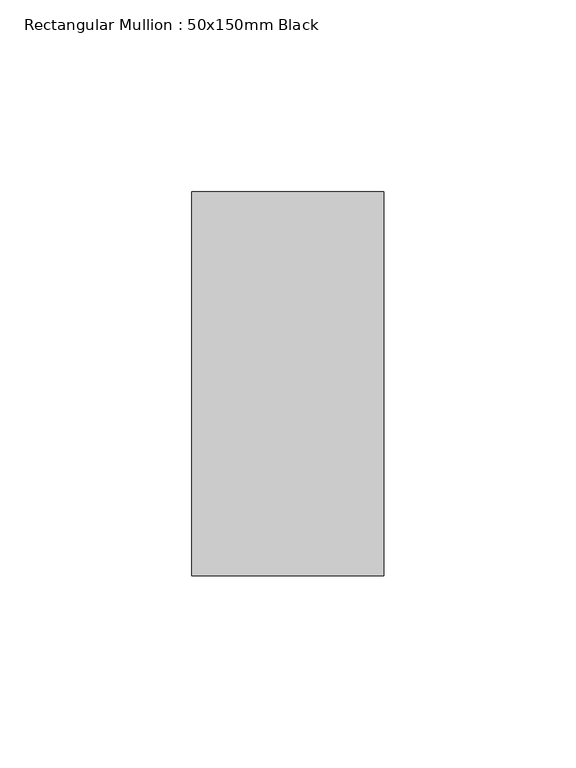
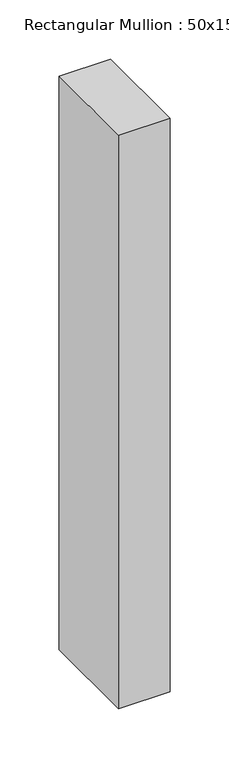
"""IFC4 building model written with IfcOpenShell, lengths in millimetres: member geometry, Rectangular Mullion : 50x150mm Black."""

import ifcopenshell
import ifcopenshell.guid

model = None  # the IFC model being written
_history = None  # IfcOwnerHistory: only IFC2X3 demands one
_inside = {}  # id of a spatial element -> (the spatial element, [elements in it])
_under = {}  # id of a project, library or spatial element -> (it, [spatial elements below it])
_declared = {}  # id of a project -> (the project, [libraries it declares])
_typed = {}  # id of a type object -> (the type object, [elements of that type])
_made_of = {}  # id of a material, layer set ... -> (it, [elements and type objects made of it])


def new_model(schema):
    """Start an empty IFC model of exactly this schema.

    Asked for "IFC4X3", IfcOpenShell would pick the latest addendum, in which some entities
    have other attributes; the version numbers below select the first issue.
    IFC2X3 requires an IfcOwnerHistory on every rooted entity: one is made here for all.
    """
    global model, _history
    if schema == "IFC4X3":
        model = ifcopenshell.file(schema_version=(4, 3, 0, 0))
    else:
        model = ifcopenshell.file(schema=schema)
    _inside.clear()
    _under.clear()
    _declared.clear()
    _typed.clear()
    _made_of.clear()
    _history = None
    if model.schema == "IFC2X3":
        org = make("IfcOrganization", Name="unknown")
        user = make(
            "IfcPersonAndOrganization",
            ThePerson=make("IfcPerson", FamilyName="unknown"),
            TheOrganization=org,
        )
        app = make(
            "IfcApplication",
            ApplicationDeveloper=org,
            Version="unknown",
            ApplicationFullName="unknown",
            ApplicationIdentifier="unknown",
        )
        _history = make(
            "IfcOwnerHistory",
            OwningUser=user,
            OwningApplication=app,
            ChangeAction="ADDED",
            CreationDate=0,
        )
    return model


def make(cls, **values):
    """One entity of the class cls with the attributes given. An attribute that is None is left unset."""
    return model.create_entity(
        cls, **{name: value for name, value in values.items() if value is not None}
    )


def rooted(cls, **values):
    """An entity with a GlobalId (a new one), such as an element, a storey or a relation."""
    return make(cls, GlobalId=ifcopenshell.guid.new(), OwnerHistory=_history, **values)


def si_unit(unit_type, name, prefix=None):
    """IfcSIUnit, for example si_unit("LENGTHUNIT", "METRE", prefix="MILLI")."""
    return make("IfcSIUnit", UnitType=unit_type, Prefix=prefix, Name=name)


def assignment(units):
    """IfcUnitAssignment: the units of a project."""
    return None if units is None else make("IfcUnitAssignment", Units=units)


def point(xyz):
    """IfcCartesianPoint."""
    return None if xyz is None else make("IfcCartesianPoint", Coordinates=xyz)


def direction(xyz):
    """IfcDirection."""
    return None if xyz is None else make("IfcDirection", DirectionRatios=xyz)


def frame(location, z_axis=None, x_axis=None):
    """IfcAxis2Placement3D, a coordinate frame: its origin and axes. An axis left out is left unset."""
    return make(
        "IfcAxis2Placement3D",
        Location=point(location),
        Axis=direction(z_axis),
        RefDirection=direction(x_axis),
    )


def origin():
    """The frame at (0, 0, 0) with its axes left unset."""
    return frame((0.0, 0.0, 0.0))


def place(relative_to, where):
    """IfcLocalPlacement: puts the frame where relative to a parent placement (None: the world)."""
    return make(
        "IfcLocalPlacement", PlacementRelTo=relative_to, RelativePlacement=where
    )


def context(
    kind, dimensions, precision=None, world=None, true_north=None, identifier=None
):
    """IfcGeometricRepresentationContext, for example the 3D "Model" context."""
    return make(
        "IfcGeometricRepresentationContext",
        ContextIdentifier=identifier,
        ContextType=kind,
        CoordinateSpaceDimension=dimensions,
        Precision=precision,
        WorldCoordinateSystem=world,
        TrueNorth=true_north,
    )


def project(units=None, contexts=None):
    """IfcProject with its units and contexts."""
    return rooted(
        "IfcProject",
        Name="project",
        RepresentationContexts=contexts,
        UnitsInContext=assignment(units),
    )


def spatial(cls, under=None, at=None, **own):
    """A site, building, storey or space (cls), placed at a placement, below another one or the project."""
    s = rooted(cls, ObjectPlacement=at, **own)
    if under is not None:
        _under.setdefault(under.id(), (under, []))[1].append(s)
    return s


def polyline(points):
    """IfcPolyline through the points."""
    return make("IfcPolyline", Points=[point(p) for p in points])


def outline(outer, holes=None, kind="AREA"):
    """IfcArbitraryClosedProfileDef: a profile drawn as a closed curve; with holes, ...WithVoids."""
    if holes is None:
        return make("IfcArbitraryClosedProfileDef", ProfileType=kind, OuterCurve=outer)
    return make(
        "IfcArbitraryProfileDefWithVoids",
        ProfileType=kind,
        OuterCurve=outer,
        InnerCurves=holes,
    )


def extrude(swept, where, along, depth):
    """IfcExtrudedAreaSolid: the profile swept, set in the frame where, extruded along a direction by depth."""
    return make(
        "IfcExtrudedAreaSolid",
        SweptArea=swept,
        Position=where,
        ExtrudedDirection=direction(along),
        Depth=depth,
    )


def shape(context_of_items, identifier, shape_type, items):
    """IfcShapeRepresentation: the items that make up one representation, for example the "Body"."""
    return make(
        "IfcShapeRepresentation",
        ContextOfItems=context_of_items,
        RepresentationIdentifier=identifier,
        RepresentationType=shape_type,
        Items=items,
    )


def source(mapping_origin, context_of_items, identifier, shape_type, items):
    """IfcRepresentationMap: a shape defined once, which mapped items show again and again."""
    return make(
        "IfcRepresentationMap",
        MappingOrigin=mapping_origin,
        MappedRepresentation=shape(context_of_items, identifier, shape_type, items),
    )


def transform(
    local_origin,
    x_axis=None,
    y_axis=None,
    z_axis=None,
    scale=None,
    scale2=None,
    scale3=None,
    uniform=True,
):
    """IfcCartesianTransformationOperator3D, or its non-uniform kind. x_axis, y_axis, z_axis: its Axis1, 2, 3."""
    if uniform:
        return make(
            "IfcCartesianTransformationOperator3D",
            Axis1=direction(x_axis),
            Axis2=direction(y_axis),
            LocalOrigin=point(local_origin),
            Scale=scale,
            Axis3=direction(z_axis),
        )
    return make(
        "IfcCartesianTransformationOperator3DnonUniform",
        Axis1=direction(x_axis),
        Axis2=direction(y_axis),
        LocalOrigin=point(local_origin),
        Scale=scale,
        Axis3=direction(z_axis),
        Scale2=scale2,
        Scale3=scale3,
    )


def mapped(mapping_source, mapping_target):
    """IfcMappedItem: shows the shape of a source again, moved by a transform."""
    return make(
        "IfcMappedItem", MappingSource=mapping_source, MappingTarget=mapping_target
    )


def made_of(thing, what):
    """Note that an element or type object is made of a material, layer set ...; save() writes the relation."""
    if what is not None:
        _made_of.setdefault(what.id(), (what, []))[1].append(thing)
    return thing


def element(
    cls,
    number,
    at=None,
    inside=None,
    cuts=None,
    type_object=None,
    material=None,
    context=None,
    identifier="Body",
    shape_type=None,
    held_by="IfcProductDefinitionShape",
    body=None,
    shapes=None,
    **own,
):
    """One element of the class cls, such as IfcWall. Its Tag is "e" and its number.

    at: its placement. inside: the storey or other place that contains it. cuts: it is an
    opening in that element (IfcRelVoidsElement). A single representation is given by context,
    identifier, shape_type and body (its items); several are given by shapes. held_by: the class
    of the entity that holds the representations. save() writes the other relations.
    """
    e = rooted(cls, Tag="e%d" % number, ObjectPlacement=at, **own)
    if body is not None:
        shapes = [shape(context, identifier, shape_type, body)]
    if shapes is not None:
        e.Representation = make(held_by, Representations=shapes)
    if inside is not None:
        _inside.setdefault(inside.id(), (inside, []))[1].append(e)
    if cuts is not None:
        rooted(
            "IfcRelVoidsElement", RelatingBuildingElement=cuts, RelatedOpeningElement=e
        )
    if type_object is not None:
        _typed.setdefault(type_object.id(), (type_object, []))[1].append(e)
    return made_of(e, material)


def aggregate(whole, parts):
    """IfcRelAggregates: a whole, such as a stair, and the parts it consists of."""
    return rooted("IfcRelAggregates", RelatingObject=whole, RelatedObjects=parts)


def save(model, path):
    """Write the relations noted so far, then the file.

    IfcRelAggregates (storeys below a building ...), IfcRelContainedInSpatialStructure (elements
    in a storey), IfcRelDefinesByType, IfcRelAssociatesMaterial and IfcRelDeclares: one each for
    every whole, place, type object, material and project.
    """
    for whole, parts in _under.values():
        aggregate(whole, parts)
    for where, things in _inside.values():
        rooted(
            "IfcRelContainedInSpatialStructure",
            RelatedElements=things,
            RelatingStructure=where,
        )
    for kind, things in _typed.values():
        rooted("IfcRelDefinesByType", RelatedObjects=things, RelatingType=kind)
    for what, things in _made_of.values():
        rooted("IfcRelAssociatesMaterial", RelatedObjects=things, RelatingMaterial=what)
    for by, libraries in _declared.values():
        rooted("IfcRelDeclares", RelatingContext=by, RelatedDefinitions=libraries)
    model.write(path)


def rectangular_mullion_50x150mm_black_a5594665(model_context):
    return source(origin(), model_context, "Body", "SweptSolid", [
        extrude(outline(polyline([(25.0, 50.0), (25.0, -50.0), (-25.0, -50.0), (-25.0, 50.0), (25.0, 50.0)])), frame((0.0, 0.0, -590.0), z_axis=(0.0, 0.0, 1.0), x_axis=(1.0, 0.0, 0.0)), (0.0, 0.0, 1.0), 590.0),
    ])


if __name__ == "__main__":
    model = new_model("IFC4")
    model_context = context("Model", 3, world=origin())
    ifc_project = project(units=[si_unit("LENGTHUNIT", "METRE", prefix="MILLI")], contexts=[model_context])
    site = spatial("IfcSite", under=ifc_project)
    building = spatial("IfcBuilding", under=site)
    placement = place(None, origin())
    rectangular_mullion_50x150mm_black_shape = rectangular_mullion_50x150mm_black_a5594665(model_context)
    element("IfcMember", 1, ObjectType="Rectangular Mullion : 50x150mm Black", at=placement, inside=building, context=model_context, shape_type="MappedRepresentation", body=[
        mapped(rectangular_mullion_50x150mm_black_shape, transform((0.0, 0.0, 0.0), x_axis=(1.0, 0.0, 0.0), y_axis=(0.0, 1.0, 0.0), z_axis=(0.0, 0.0, 1.0))),
    ])
    save(model, "model.ifc")
